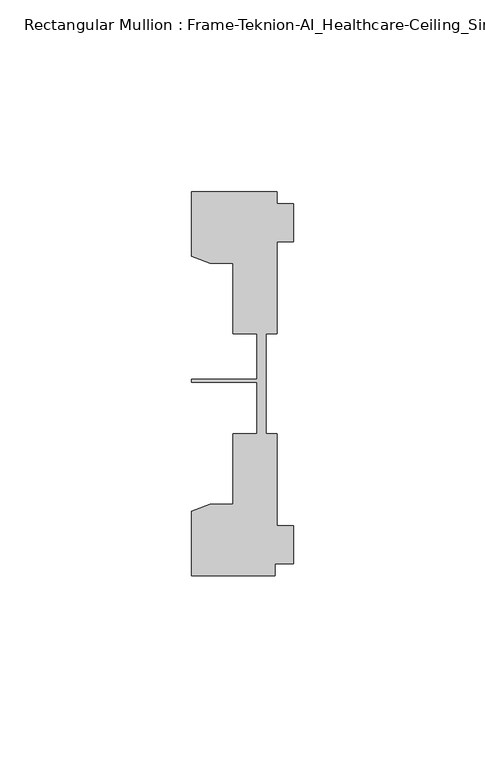
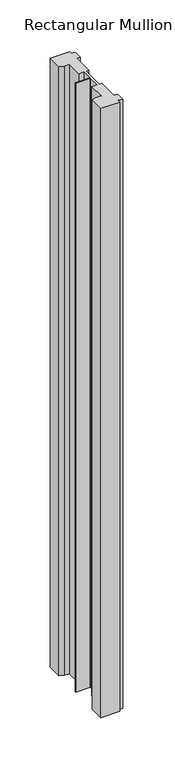
"""IFC4 building model written with IfcOpenShell, lengths in millimetres: member geometry, Rectangular Mullion : Frame-Teknion-AI_Healthcare-Ceiling_Single_Channel."""

from ifc_helpers import new_model, si_unit, frame, origin, place, context, project, spatial, polyline, outline, extrude, source, transform, mapped, element, save


def rectangular_mullion_frame_teknion_ai_healthcare_ceiling_6aa59741(model_context):
    return source(origin(), model_context, "Body", "SweptSolid", [
        extrude(outline(polyline([(-26.4921999, -34.0201677), (-21.6625199, -32.2880982), (-15.6737764, -32.2880982), (-15.6737764, -13.9110722), (-9.4507761, -13.9110722), (-9.4507761, -0.4036528), (-26.4921999, -0.4036528), (-26.4921999, 0.4036528), (-9.4507761, 0.4036528), (-9.4507761, 12.2509301), (-15.6737764, 12.2509301), (-15.6737764, 30.6279561), (-21.6625199, 30.6279561), (-26.4921999, 32.3600207), (-26.4921999, 49.1699293), (-4.2672007, 49.1699293), (-4.2672007, 46.1219322), (0.0, 46.1219322), (0.0, 36.1219249), (-4.2672007, 36.1219249), (-4.2672007, 12.2509301), (-7.1647766, 12.2509301), (-7.1647766, -0.0814804), (-7.1647766, -13.9110722), (-4.2672007, -13.9110722), (-4.2672007, -37.7820716), (0.0, -37.7820716), (0.0, -47.782071), (-4.7752002, -47.782071), (-4.7752002, -50.8315128), (-26.4921999, -50.8315128), (-26.4921999, -34.0201677)])), frame((0.0, 0.0, -736.6), z_axis=(0.0, 0.0, 1.0), x_axis=(1.0, 0.0, 0.0)), (0.0, 0.0, 1.0), 736.6),
    ])


if __name__ == "__main__":
    model = new_model("IFC4")
    model_context = context("Model", 3, world=origin())
    ifc_project = project(units=[si_unit("LENGTHUNIT", "METRE", prefix="MILLI")], contexts=[model_context])
    site = spatial("IfcSite", under=ifc_project)
    building = spatial("IfcBuilding", under=site)
    placement = place(None, origin())
    rectangular_mullion_frame_teknion_ai_healthcare_ceiling_shape = rectangular_mullion_frame_teknion_ai_healthcare_ceiling_6aa59741(model_context)
    element("IfcMember", 1, ObjectType="Rectangular Mullion : Frame-Teknion-AI_Healthcare-Ceiling_Single_Channel", at=placement, inside=building, context=model_context, shape_type="MappedRepresentation", body=[
        mapped(rectangular_mullion_frame_teknion_ai_healthcare_ceiling_shape, transform((0.0, 0.0, 0.0), x_axis=(1.0, 0.0, 0.0), y_axis=(0.0, 1.0, 0.0), z_axis=(0.0, 0.0, 1.0))),
    ])
    save(model, "model.ifc")
